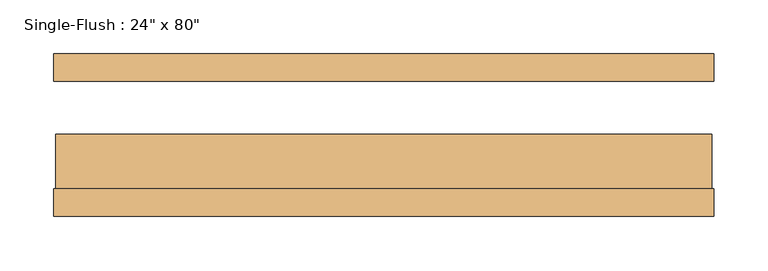
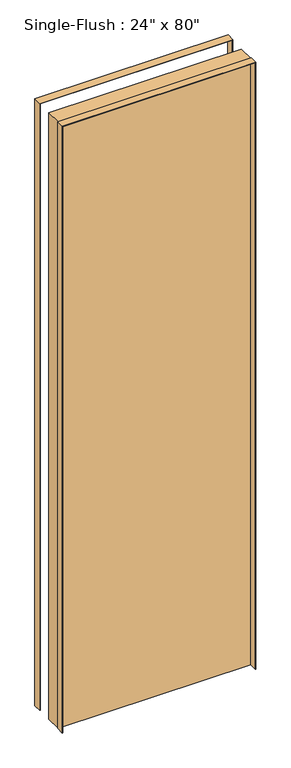
"""IFC4 building model written with IfcOpenShell, lengths in millimetres: door geometry."""

from ifc_helpers import new_model, si_unit, frame, origin, origin_with_axes, place, context, project, spatial, polyline, outline, extrude, source, transform, mapped, element, save


def door_d5bbd9f9(model_context):
    return source(origin(), model_context, "Body", "SweptSolid", [
        extrude(outline(polyline([(2033.5875, -306.3875), (0.0, -306.3875), (0.0, -304.8), (2032.0, -304.8), (2032.0, 304.8), (0.0, 304.8), (0.0, 306.3875), (2033.5875, 306.3875), (2033.5875, -306.3875)])), frame((0.0, -75.4, 0.0), z_axis=(0.0, 1.0, 0.0), x_axis=(0.0, 0.0, 1.0)), (0.0, 0.0, 1.0), 25.4),
        extrude(outline(polyline([(2033.5875, 306.3875), (2033.5875, -306.3875), (0.0, -306.3875), (0.0, -304.8), (2032.0, -304.8), (2032.0, 304.8), (0.0, 304.8), (0.0, 306.3875), (2033.5875, 306.3875)])), frame((0.0, 50.0, 0.0), z_axis=(0.0, 1.0, 0.0), x_axis=(0.0, 0.0, 1.0)), (0.0, 0.0, 1.0), 25.4),
        extrude(outline(polyline([(304.8, 0.8), (304.8, -50.0), (-304.8, -50.0), (-304.8, 0.8), (304.8, 0.8)])), origin_with_axes(), (0.0, 0.0, 1.0), 2032.0),
    ])


if __name__ == "__main__":
    model = new_model("IFC4")
    model_context = context("Model", 3, world=origin())
    ifc_project = project(units=[si_unit("LENGTHUNIT", "METRE", prefix="MILLI")], contexts=[model_context])
    site = spatial("IfcSite", under=ifc_project)
    building = spatial("IfcBuilding", under=site)
    placement = place(None, origin())
    door_shape = door_d5bbd9f9(model_context)
    element("IfcDoor", 1, ObjectType="Single-Flush : 24\" x 80\"", at=placement, inside=building, context=model_context, shape_type="MappedRepresentation", body=[
        mapped(door_shape, transform((0.0, 0.0, 0.0), x_axis=(1.0, 0.0, 0.0), y_axis=(0.0, 1.0, 0.0), z_axis=(0.0, 0.0, 1.0))),
    ])
    save(model, "model.ifc")
